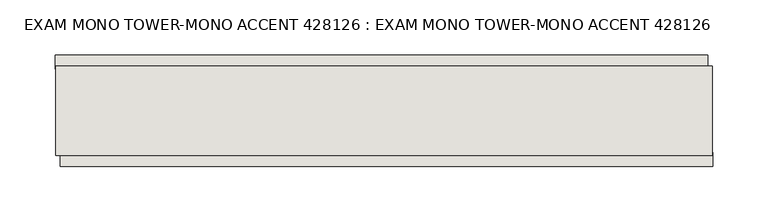
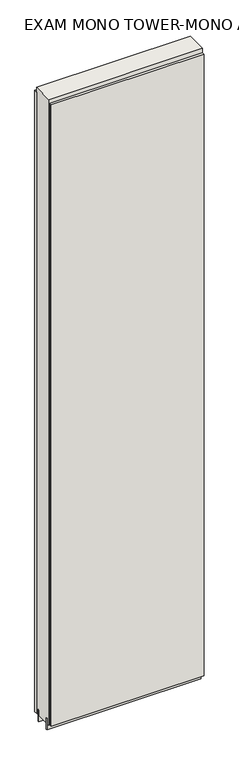
"""IFC4 building model written with IfcOpenShell, lengths in millimetres: wall geometry, EXAM MONO TOWER-MONO ACCENT 428126 : EXAM MONO TOWER-MONO ACCENT 428126."""

from ifc_helpers import new_model, si_unit, frame, origin, place, context, project, spatial, polyline, outline, extrude, source, transform, mapped, element, save


def exam_mono_tower_mono_accent_428126_exam_mono_tower_mono_58059487(model_context):
    return source(origin(), model_context, "Body", "SweptSolid", [
        extrude(outline(polyline([(67988.2668172, -43072.0636398), (67990.8068172, -43072.0636398), (67990.8068172, -43074.6036398), (67988.2668172, -43074.6036398), (67988.2668172, -43072.0636398)])), frame((0.0, 0.0, 4419.6), z_axis=(0.0, 0.0, 1.0), x_axis=(1.0, 0.0, 0.0)), (0.0, 0.0, 1.0), 2.54),
        extrude(outline(polyline([(67991.26991, -43124.1336398), (67398.3699528, -43124.1336398), (67398.3699528, -43111.4336398), (67991.26991, -43111.4336398), (67991.26991, -43124.1336398)])), frame((0.0, 0.0, 4445.0), z_axis=(0.0, 0.0, 1.0), x_axis=(1.0, 0.0, 0.0)), (0.0, 0.0, 1.0), 2545.0498756),
        extrude(outline(polyline([(67393.4462136, -43022.5336398), (67986.3461708, -43022.5336398), (67986.3461708, -43035.2336398), (67393.4462136, -43035.2336398), (67393.4462136, -43022.5336398)])), frame((0.0, 0.0, 4445.0), z_axis=(0.0, 0.0, 1.0), x_axis=(1.0, 0.0, 0.0)), (0.0, 0.0, 1.0), 2545.0498756),
        extrude(outline(polyline([(67393.8956666, -43098.4142856), (67990.7956666, -43098.4142856), (67990.7956666, -43103.4961398), (67393.8956666, -43103.4961398), (67393.8956666, -43098.4142856)])), frame((0.0, 0.0, 4418.6602), z_axis=(0.0, 0.0, 1.0), x_axis=(1.0, 0.0, 0.0)), (0.0, 0.0, 1.0), 47.625),
        extrude(outline(polyline([(67393.8956666, -43098.4142856), (67990.7956666, -43098.4142856), (67990.7956666, -43103.4961398), (67393.8956666, -43103.4961398), (67393.8956666, -43098.4142856)])), frame((0.0, 0.0, 4418.6602), z_axis=(0.0, 0.0, 1.0), x_axis=(1.0, 0.0, 0.0)), (0.0, 0.0, 1.0), 47.625),
        extrude(outline(polyline([(67990.7956666, -43048.2498952), (67393.8956666, -43048.2498952), (67393.8956666, -43043.1711398), (67990.7956666, -43043.1711398), (67990.7956666, -43048.2498952)])), frame((0.0, 0.0, 4418.6602), z_axis=(0.0, 0.0, 1.0), x_axis=(1.0, 0.0, 0.0)), (0.0, 0.0, 1.0), 47.625),
        extrude(outline(polyline([(67990.7956666, -43048.2498952), (67393.8956666, -43048.2498952), (67393.8956666, -43043.1711398), (67990.7956666, -43043.1711398), (67990.7956666, -43048.2498952)])), frame((0.0, 0.0, 4418.6602), z_axis=(0.0, 0.0, 1.0), x_axis=(1.0, 0.0, 0.0)), (0.0, 0.0, 1.0), 47.625),
        extrude(outline(polyline([(67393.8956666, -43113.9854254), (67393.8956666, -43032.70667), (67990.7956666, -43032.70667), (67990.7956666, -43113.9854254), (67393.8956666, -43113.9854254)])), frame((0.0, 0.0, 4445.0), z_axis=(0.0, 0.0, 1.0), x_axis=(1.0, 0.0, 0.0)), (0.0, 0.0, 1.0), 2562.4536762),
    ])


if __name__ == "__main__":
    model = new_model("IFC4")
    model_context = context("Model", 3, world=origin())
    ifc_project = project(units=[si_unit("LENGTHUNIT", "METRE", prefix="MILLI")], contexts=[model_context])
    site = spatial("IfcSite", under=ifc_project)
    building = spatial("IfcBuilding", under=site)
    placement = place(None, origin())
    exam_mono_tower_mono_accent_428126_exam_mono_tower_mono_shape = exam_mono_tower_mono_accent_428126_exam_mono_tower_mono_58059487(model_context)
    element("IfcWall", 1, ObjectType="EXAM MONO TOWER-MONO ACCENT 428126 : EXAM MONO TOWER-MONO ACCENT 428126", at=placement, inside=building, context=model_context, shape_type="MappedRepresentation", body=[
        mapped(exam_mono_tower_mono_accent_428126_exam_mono_tower_mono_shape, transform((0.0, 0.0, 0.0), x_axis=(1.0, 0.0, 0.0), y_axis=(0.0, 1.0, 0.0), z_axis=(0.0, 0.0, 1.0))),
    ])
    save(model, "model.ifc")
